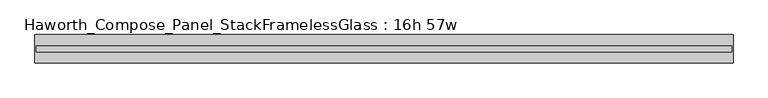
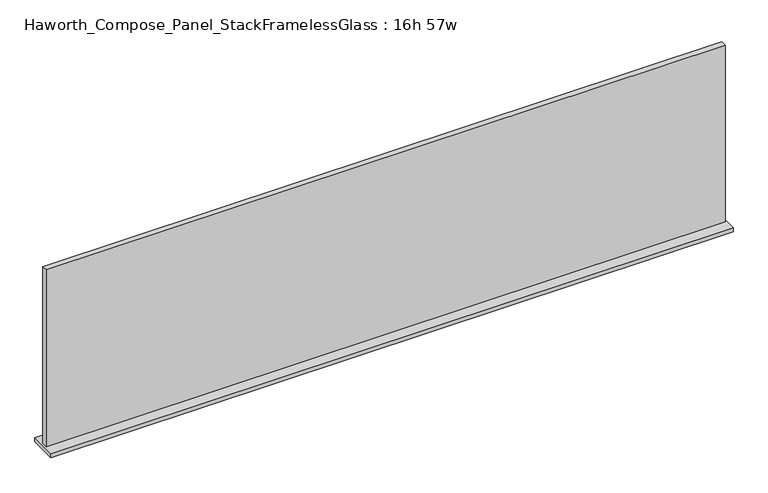
"""IFC4 building model written with IfcOpenShell, lengths in millimetres: furniture geometry, Haworth_Compose_Panel_StackFramelessGlass : 16h 57w."""

import ifcopenshell
import ifcopenshell.guid

model = None  # the IFC model being written
_history = None  # IfcOwnerHistory: only IFC2X3 demands one
_inside = {}  # id of a spatial element -> (the spatial element, [elements in it])
_under = {}  # id of a project, library or spatial element -> (it, [spatial elements below it])
_declared = {}  # id of a project -> (the project, [libraries it declares])
_typed = {}  # id of a type object -> (the type object, [elements of that type])
_made_of = {}  # id of a material, layer set ... -> (it, [elements and type objects made of it])


def new_model(schema):
    """Start an empty IFC model of exactly this schema.

    Asked for "IFC4X3", IfcOpenShell would pick the latest addendum, in which some entities
    have other attributes; the version numbers below select the first issue.
    IFC2X3 requires an IfcOwnerHistory on every rooted entity: one is made here for all.
    """
    global model, _history
    if schema == "IFC4X3":
        model = ifcopenshell.file(schema_version=(4, 3, 0, 0))
    else:
        model = ifcopenshell.file(schema=schema)
    _inside.clear()
    _under.clear()
    _declared.clear()
    _typed.clear()
    _made_of.clear()
    _history = None
    if model.schema == "IFC2X3":
        org = make("IfcOrganization", Name="unknown")
        user = make(
            "IfcPersonAndOrganization",
            ThePerson=make("IfcPerson", FamilyName="unknown"),
            TheOrganization=org,
        )
        app = make(
            "IfcApplication",
            ApplicationDeveloper=org,
            Version="unknown",
            ApplicationFullName="unknown",
            ApplicationIdentifier="unknown",
        )
        _history = make(
            "IfcOwnerHistory",
            OwningUser=user,
            OwningApplication=app,
            ChangeAction="ADDED",
            CreationDate=0,
        )
    return model


def make(cls, **values):
    """One entity of the class cls with the attributes given. An attribute that is None is left unset."""
    return model.create_entity(
        cls, **{name: value for name, value in values.items() if value is not None}
    )


def rooted(cls, **values):
    """An entity with a GlobalId (a new one), such as an element, a storey or a relation."""
    return make(cls, GlobalId=ifcopenshell.guid.new(), OwnerHistory=_history, **values)


def si_unit(unit_type, name, prefix=None):
    """IfcSIUnit, for example si_unit("LENGTHUNIT", "METRE", prefix="MILLI")."""
    return make("IfcSIUnit", UnitType=unit_type, Prefix=prefix, Name=name)


def assignment(units):
    """IfcUnitAssignment: the units of a project."""
    return None if units is None else make("IfcUnitAssignment", Units=units)


def point(xyz):
    """IfcCartesianPoint."""
    return None if xyz is None else make("IfcCartesianPoint", Coordinates=xyz)


def direction(xyz):
    """IfcDirection."""
    return None if xyz is None else make("IfcDirection", DirectionRatios=xyz)


def frame(location, z_axis=None, x_axis=None):
    """IfcAxis2Placement3D, a coordinate frame: its origin and axes. An axis left out is left unset."""
    return make(
        "IfcAxis2Placement3D",
        Location=point(location),
        Axis=direction(z_axis),
        RefDirection=direction(x_axis),
    )


def origin():
    """The frame at (0, 0, 0) with its axes left unset."""
    return frame((0.0, 0.0, 0.0))


def place(relative_to, where):
    """IfcLocalPlacement: puts the frame where relative to a parent placement (None: the world)."""
    return make(
        "IfcLocalPlacement", PlacementRelTo=relative_to, RelativePlacement=where
    )


def context(
    kind, dimensions, precision=None, world=None, true_north=None, identifier=None
):
    """IfcGeometricRepresentationContext, for example the 3D "Model" context."""
    return make(
        "IfcGeometricRepresentationContext",
        ContextIdentifier=identifier,
        ContextType=kind,
        CoordinateSpaceDimension=dimensions,
        Precision=precision,
        WorldCoordinateSystem=world,
        TrueNorth=true_north,
    )


def project(units=None, contexts=None):
    """IfcProject with its units and contexts."""
    return rooted(
        "IfcProject",
        Name="project",
        RepresentationContexts=contexts,
        UnitsInContext=assignment(units),
    )


def spatial(cls, under=None, at=None, **own):
    """A site, building, storey or space (cls), placed at a placement, below another one or the project."""
    s = rooted(cls, ObjectPlacement=at, **own)
    if under is not None:
        _under.setdefault(under.id(), (under, []))[1].append(s)
    return s


def polyline(points):
    """IfcPolyline through the points."""
    return make("IfcPolyline", Points=[point(p) for p in points])


def outline(outer, holes=None, kind="AREA"):
    """IfcArbitraryClosedProfileDef: a profile drawn as a closed curve; with holes, ...WithVoids."""
    if holes is None:
        return make("IfcArbitraryClosedProfileDef", ProfileType=kind, OuterCurve=outer)
    return make(
        "IfcArbitraryProfileDefWithVoids",
        ProfileType=kind,
        OuterCurve=outer,
        InnerCurves=holes,
    )


def extrude(swept, where, along, depth):
    """IfcExtrudedAreaSolid: the profile swept, set in the frame where, extruded along a direction by depth."""
    return make(
        "IfcExtrudedAreaSolid",
        SweptArea=swept,
        Position=where,
        ExtrudedDirection=direction(along),
        Depth=depth,
    )


def shape(context_of_items, identifier, shape_type, items):
    """IfcShapeRepresentation: the items that make up one representation, for example the "Body"."""
    return make(
        "IfcShapeRepresentation",
        ContextOfItems=context_of_items,
        RepresentationIdentifier=identifier,
        RepresentationType=shape_type,
        Items=items,
    )


def source(mapping_origin, context_of_items, identifier, shape_type, items):
    """IfcRepresentationMap: a shape defined once, which mapped items show again and again."""
    return make(
        "IfcRepresentationMap",
        MappingOrigin=mapping_origin,
        MappedRepresentation=shape(context_of_items, identifier, shape_type, items),
    )


def transform(
    local_origin,
    x_axis=None,
    y_axis=None,
    z_axis=None,
    scale=None,
    scale2=None,
    scale3=None,
    uniform=True,
):
    """IfcCartesianTransformationOperator3D, or its non-uniform kind. x_axis, y_axis, z_axis: its Axis1, 2, 3."""
    if uniform:
        return make(
            "IfcCartesianTransformationOperator3D",
            Axis1=direction(x_axis),
            Axis2=direction(y_axis),
            LocalOrigin=point(local_origin),
            Scale=scale,
            Axis3=direction(z_axis),
        )
    return make(
        "IfcCartesianTransformationOperator3DnonUniform",
        Axis1=direction(x_axis),
        Axis2=direction(y_axis),
        LocalOrigin=point(local_origin),
        Scale=scale,
        Axis3=direction(z_axis),
        Scale2=scale2,
        Scale3=scale3,
    )


def mapped(mapping_source, mapping_target):
    """IfcMappedItem: shows the shape of a source again, moved by a transform."""
    return make(
        "IfcMappedItem", MappingSource=mapping_source, MappingTarget=mapping_target
    )


def made_of(thing, what):
    """Note that an element or type object is made of a material, layer set ...; save() writes the relation."""
    if what is not None:
        _made_of.setdefault(what.id(), (what, []))[1].append(thing)
    return thing


def element(
    cls,
    number,
    at=None,
    inside=None,
    cuts=None,
    type_object=None,
    material=None,
    context=None,
    identifier="Body",
    shape_type=None,
    held_by="IfcProductDefinitionShape",
    body=None,
    shapes=None,
    **own,
):
    """One element of the class cls, such as IfcWall. Its Tag is "e" and its number.

    at: its placement. inside: the storey or other place that contains it. cuts: it is an
    opening in that element (IfcRelVoidsElement). A single representation is given by context,
    identifier, shape_type and body (its items); several are given by shapes. held_by: the class
    of the entity that holds the representations. save() writes the other relations.
    """
    e = rooted(cls, Tag="e%d" % number, ObjectPlacement=at, **own)
    if body is not None:
        shapes = [shape(context, identifier, shape_type, body)]
    if shapes is not None:
        e.Representation = make(held_by, Representations=shapes)
    if inside is not None:
        _inside.setdefault(inside.id(), (inside, []))[1].append(e)
    if cuts is not None:
        rooted(
            "IfcRelVoidsElement", RelatingBuildingElement=cuts, RelatedOpeningElement=e
        )
    if type_object is not None:
        _typed.setdefault(type_object.id(), (type_object, []))[1].append(e)
    return made_of(e, material)


def aggregate(whole, parts):
    """IfcRelAggregates: a whole, such as a stair, and the parts it consists of."""
    return rooted("IfcRelAggregates", RelatingObject=whole, RelatedObjects=parts)


def save(model, path):
    """Write the relations noted so far, then the file.

    IfcRelAggregates (storeys below a building ...), IfcRelContainedInSpatialStructure (elements
    in a storey), IfcRelDefinesByType, IfcRelAssociatesMaterial and IfcRelDeclares: one each for
    every whole, place, type object, material and project.
    """
    for whole, parts in _under.values():
        aggregate(whole, parts)
    for where, things in _inside.values():
        rooted(
            "IfcRelContainedInSpatialStructure",
            RelatedElements=things,
            RelatingStructure=where,
        )
    for kind, things in _typed.values():
        rooted("IfcRelDefinesByType", RelatedObjects=things, RelatingType=kind)
    for what, things in _made_of.values():
        rooted("IfcRelAssociatesMaterial", RelatedObjects=things, RelatingMaterial=what)
    for by, libraries in _declared.values():
        rooted("IfcRelDeclares", RelatingContext=by, RelatedDefinitions=libraries)
    model.write(path)


def haworth_compose_panel_stackframelessglass_16h_57w_7400c0f4(model_context):
    return source(origin(), model_context, "Body", "SweptSolid", [
        extrude(outline(polyline([(723.1652902, -27.3093594), (-718.2847098, -27.3093594), (-718.2847098, -14.6093594), (723.1652902, -14.6093594), (723.1652902, -27.3093594)])), frame((0.0, 0.0, 1279.525), z_axis=(0.0, 0.0, 1.0), x_axis=(1.0, 0.0, 0.0)), (0.0, 0.0, 1.0), 396.875),
        extrude(outline(polyline([(-721.4597098, -50.3281094), (-721.4597098, 8.4093906), (726.3402902, 8.4093906), (726.3402902, -50.3281094), (-721.4597098, -50.3281094)])), frame((0.0, 0.0, 1270.0), z_axis=(0.0, 0.0, 1.0), x_axis=(1.0, 0.0, 0.0)), (0.0, 0.0, 1.0), 9.525),
    ])


if __name__ == "__main__":
    model = new_model("IFC4")
    model_context = context("Model", 3, world=origin())
    ifc_project = project(units=[si_unit("LENGTHUNIT", "METRE", prefix="MILLI")], contexts=[model_context])
    site = spatial("IfcSite", under=ifc_project)
    building = spatial("IfcBuilding", under=site)
    placement = place(None, origin())
    haworth_compose_panel_stackframelessglass_16h_57w_shape = haworth_compose_panel_stackframelessglass_16h_57w_7400c0f4(model_context)
    element("IfcFurniture", 1, ObjectType="Haworth_Compose_Panel_StackFramelessGlass : 16h 57w", at=placement, inside=building, context=model_context, shape_type="MappedRepresentation", body=[
        mapped(haworth_compose_panel_stackframelessglass_16h_57w_shape, transform((0.0, 0.0, 0.0), x_axis=(1.0, 0.0, 0.0), y_axis=(0.0, 1.0, 0.0), z_axis=(0.0, 0.0, 1.0))),
    ])
    save(model, "model.ifc")
